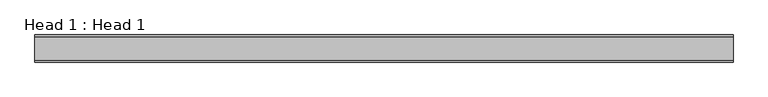
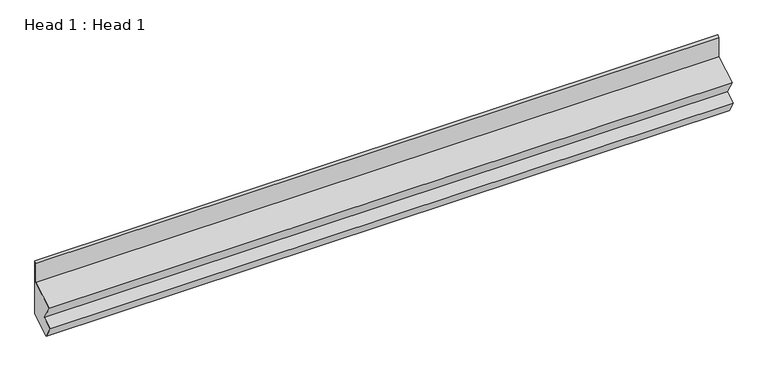
"""IFC4 building model written with IfcOpenShell, lengths in millimetres: proxy geometry, Head 1 : Head 1."""

from ifc_helpers import new_model, si_unit, frame, origin, place, context, project, spatial, polyline, outline, extrude, source, transform, mapped, element, save


def head_1_head_1_f85b5ec9(model_context):
    return source(origin(), model_context, "Body", "SweptSolid", [
        extrude(outline(polyline([(-12259.7561989, 1765.534217), (-12297.2770815, 1830.5222921), (-12240.9206516, 1863.0596921), (-12288.0755542, 1944.7343792), (-12159.8402755, 2018.7710519), (-12159.8402755, 2130.5273856), (-12150.4249382, 2140.984177), (-12150.4249382, 1828.6566498), (-12259.7561989, 1765.534217)])), frame((8328.7643877, 0.0, 0.0), z_axis=(1.0, 0.0, 0.0), x_axis=(0.0, 1.0, 0.0)), (0.0, 0.0, 1.0), 3773.7661648),
    ])


if __name__ == "__main__":
    model = new_model("IFC4")
    model_context = context("Model", 3, world=origin())
    ifc_project = project(units=[si_unit("LENGTHUNIT", "METRE", prefix="MILLI")], contexts=[model_context])
    site = spatial("IfcSite", under=ifc_project)
    building = spatial("IfcBuilding", under=site)
    placement = place(None, origin())
    head_1_head_1_shape = head_1_head_1_f85b5ec9(model_context)
    element("IfcBuildingElementProxy", 1, Name="Head 1 : Head 1", ObjectType="Head 1 : Head 1", at=placement, inside=building, context=model_context, shape_type="MappedRepresentation", body=[
        mapped(head_1_head_1_shape, transform((0.0, 0.0, 0.0), x_axis=(1.0, 0.0, 0.0), y_axis=(0.0, 1.0, 0.0), z_axis=(0.0, 0.0, 1.0))),
    ])
    save(model, "model.ifc")
